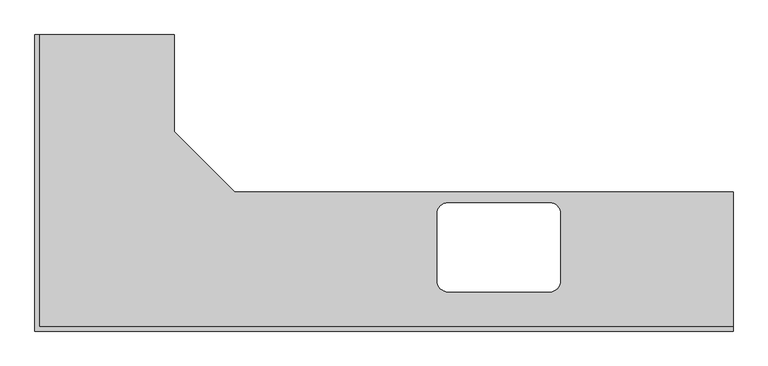
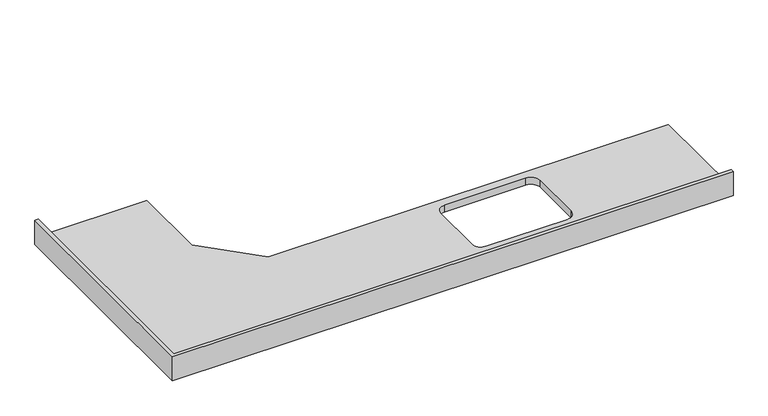
"""IFC4 building model written with IfcOpenShell, lengths in millimetres: furniture geometry."""

from ifc_helpers import new_model, si_unit, frame, origin, place, context, project, spatial, polyline, circle_curve, source, transform, mapped, element, save
from ifc_brep_helpers import plane_surface, revolved_surface, advanced_brep


def furniture_bad3d584(model_context):
    return source(origin(), model_context, "Body", "AdvancedBrep", [
        advanced_brep(
        [(-575.4622951, 1330.0, 900.0), (-1181.4122951, 1330.0, 900.0), (-1181.4122951, 19.05, 900.0), (1929.5377049, 19.05, 900.0), (1929.5377049, 625.0, 900.0), (-305.4622951, 625.0, 900.0), (-575.4622951, 895.0, 900.0), (1105.7733802, 175.927678, 900.0), (652.4494562, 175.927678, 900.0), (602.4494562, 225.927678, 900.0), (602.4494562, 526.0392085, 900.0), (652.4494562, 576.0392085, 900.0), (1105.7733802, 576.0392085, 900.0), (1155.7733802, 526.0392085, 900.0), (1155.7733802, 225.927678, 900.0), (1929.5377049, 0.0, 860.0), (-1200.4622951, 0.0, 860.0), (-1200.4622951, 1330.0, 860.0), (-575.4622951, 1330.0, 860.0), (-575.4622951, 895.0, 860.0), (-305.4622951, 625.0, 860.0), (1929.5377049, 625.0, 860.0), (1105.7733802, 175.927678, 860.0), (1155.7733802, 225.927678, 860.0), (1155.7733802, 526.0392085, 860.0), (1105.7733802, 576.0392085, 860.0), (652.4494562, 576.0392085, 860.0), (602.4494562, 526.0392085, 860.0), (602.4494562, 225.927678, 860.0), (652.4494562, 175.927678, 860.0), (1929.5377049, 0.0, 1001.6), (-1200.4622951, 0.0, 1001.6), (-1200.4622951, 1330.0, 1001.6), (-1181.4122951, 1330.0, 1001.6), (1929.5377049, 19.05, 1001.6), (-1181.4122951, 19.05, 1001.6)],
        [
            (0, 1),
            (1, 2),
            (2, 3),
            (3, 4),
            (4, 5),
            (5, 6),
            (6, 0),
            (7, 8),
            (8, 9, circle_curve(frame((652.4494562, 225.927678, 900.0), z_axis=(0.0, 0.0, -1.0), x_axis=(1.0, 0.0, 0.0)), 50.0)),
            (9, 10),
            (10, 11, circle_curve(frame((652.4494562, 526.0392085, 900.0), z_axis=(0.0, 0.0, -1.0), x_axis=(1.0, 0.0, 0.0)), 50.0)),
            (11, 12),
            (12, 13, circle_curve(frame((1105.7733802, 526.0392085, 900.0), z_axis=(0.0, 0.0, -1.0), x_axis=(1.0, 0.0, 0.0)), 50.0)),
            (13, 14),
            (14, 7, circle_curve(frame((1105.7733802, 225.927678, 900.0), z_axis=(0.0, 0.0, -1.0), x_axis=(1.0, 0.0, 0.0)), 50.0)),
            (15, 16),
            (16, 17),
            (17, 18),
            (18, 19),
            (19, 20),
            (20, 21),
            (21, 15),
            (22, 23, circle_curve(frame((1105.7733802, 225.927678, 860.0), z_axis=(0.0, 0.0, 1.0), x_axis=(1.0, 0.0, 0.0)), 50.0)),
            (23, 24),
            (24, 25, circle_curve(frame((1105.7733802, 526.0392085, 860.0), z_axis=(0.0, 0.0, 1.0), x_axis=(1.0, 0.0, 0.0)), 50.0)),
            (25, 26),
            (26, 27, circle_curve(frame((652.4494562, 526.0392085, 860.0), z_axis=(0.0, 0.0, 1.0), x_axis=(1.0, 0.0, 0.0)), 50.0)),
            (27, 28),
            (28, 29, circle_curve(frame((652.4494562, 225.927678, 860.0), z_axis=(0.0, 0.0, 1.0), x_axis=(1.0, 0.0, 0.0)), 50.0)),
            (29, 22),
            (15, 30),
            (30, 31),
            (31, 16),
            (31, 32),
            (32, 17),
            (32, 33),
            (33, 1),
            (0, 18),
            (6, 19),
            (5, 20),
            (4, 21),
            (3, 34),
            (34, 30),
            (14, 23),
            (22, 7),
            (13, 24),
            (12, 25),
            (11, 26),
            (10, 27),
            (9, 28),
            (8, 29),
            (34, 35),
            (35, 33),
            (2, 35),
        ],
        [
            plane_surface(frame((-1200.4622951, 0.0, 900.0), z_axis=(0.0, 0.0, 1.0), x_axis=(-1.0, 0.0, 0.0))),
            plane_surface(frame((-1200.4622951, 0.0, 860.0), z_axis=(0.0, 0.0, -1.0), x_axis=(1.0, 0.0, 0.0))),
            plane_surface(frame((1929.5377049, 0.0, 900.0), z_axis=(0.0, -1.0, 0.0), x_axis=(0.0, 0.0, -1.0))),
            plane_surface(frame((-1200.4622951, 0.0, 900.0), z_axis=(-1.0, 0.0, 0.0), x_axis=(0.0, 0.0, -1.0))),
            plane_surface(frame((-1200.4622951, 1330.0, 900.0), z_axis=(0.0, 1.0, 0.0), x_axis=(0.0, 0.0, -1.0))),
            plane_surface(frame((-575.4622951, 1330.0, 900.0), z_axis=(1.0, 0.0, 0.0), x_axis=(0.0, 0.0, -1.0))),
            plane_surface(frame((-575.4622951, 895.0, 900.0), z_axis=(0.7071067811864946, 0.7071067811866004, 0.0), x_axis=(0.0, 0.0, -1.0))),
            plane_surface(frame((-305.4622951, 625.0, 900.0), z_axis=(0.0, 1.0, 0.0), x_axis=(0.0, 0.0, -1.0))),
            plane_surface(frame((1929.5377049, 625.0, 900.0), z_axis=(1.0, 0.0, 0.0), x_axis=(0.0, 0.0, -1.0))),
            revolved_surface(polyline([(1155.7733802, 225.927678, 860.0), (1155.7733802, 225.927678, 900.0)]), (1105.7733802, 225.927678, 0.0), (0.0, 0.0, -1.0)),
            plane_surface(frame((1155.7733802, 225.927678, 900.0), z_axis=(-1.0, 0.0, 0.0), x_axis=(0.0, 0.0, -1.0))),
            revolved_surface(polyline([(1155.7733802, 526.0392085, 860.0), (1155.7733802, 526.0392085, 900.0)]), (1105.7733802, 526.0392085, 0.0), (0.0, 0.0, -1.0)),
            plane_surface(frame((1105.7733802, 576.0392085, 900.0), z_axis=(0.0, -1.0, 0.0), x_axis=(0.0, 0.0, -1.0))),
            revolved_surface(polyline([(702.4494562, 526.0392085, 860.0), (702.4494562, 526.0392085, 900.0)]), (652.4494562, 526.0392085, 0.0), (0.0, 0.0, -1.0)),
            plane_surface(frame((602.4494562, 526.0392085, 900.0), z_axis=(1.0, 0.0, 0.0), x_axis=(0.0, 0.0, -1.0))),
            revolved_surface(polyline([(702.4494562, 225.927678, 860.0), (702.4494562, 225.927678, 900.0)]), (652.4494562, 225.927678, 0.0), (0.0, 0.0, -1.0)),
            plane_surface(frame((652.4494562, 175.927678, 900.0), z_axis=(0.0, 1.0, 0.0), x_axis=(0.0, 0.0, -1.0))),
            plane_surface(frame((-1200.4622951, 0.0, 1001.6), z_axis=(0.0, 0.0, 1.0), x_axis=(0.0, 1.0, 0.0))),
            plane_surface(frame((-1200.4622951, 19.05, 1001.6), z_axis=(0.0, 1.0, 0.0), x_axis=(0.0, 0.0, -1.0))),
            plane_surface(frame((-1181.4122951, 1330.0, 1001.6), z_axis=(1.0, 0.0, 0.0), x_axis=(0.0, 0.0, -1.0))),
        ],
        [
            (0, [[1, 2, 3, 4, 5, 6, 7], [8, 9, 10, 11, 12, 13, 14, 15]]),
            (1, [[16, 17, 18, 19, 20, 21, 22], [23, 24, 25, 26, 27, 28, 29, 30]]),
            (2, [[31, 32, 33, -16]]),
            (3, [[-33, 34, 35, -17]]),
            (4, [[36, 37, -1, 38, -18, -35]]),
            (5, [[39, -19, -38, -7]]),
            (6, [[40, -20, -39, -6]]),
            (7, [[41, -21, -40, -5]]),
            (8, [[-41, -4, 42, 43, -31, -22]]),
            (9, [[44, -23, 45, -15]]),
            (10, [[46, -24, -44, -14]]),
            (11, [[47, -25, -46, -13]]),
            (12, [[48, -26, -47, -12]]),
            (13, [[49, -27, -48, -11]]),
            (14, [[50, -28, -49, -10]]),
            (15, [[51, -29, -50, -9]]),
            (16, [[-45, -30, -51, -8]]),
            (17, [[-32, -43, 52, 53, -36, -34]]),
            (18, [[-3, 54, -52, -42]]),
            (19, [[-54, -2, -37, -53]]),
        ],
    ),
    ])


if __name__ == "__main__":
    model = new_model("IFC4")
    model_context = context("Model", 3, world=origin())
    ifc_project = project(units=[si_unit("LENGTHUNIT", "METRE", prefix="MILLI")], contexts=[model_context])
    site = spatial("IfcSite", under=ifc_project)
    building = spatial("IfcBuilding", under=site)
    placement = place(None, origin())
    furniture_shape = furniture_bad3d584(model_context)
    element("IfcFurniture", 1, at=placement, inside=building, context=model_context, shape_type="MappedRepresentation", body=[
        mapped(furniture_shape, transform((0.0, 0.0, 0.0), x_axis=(1.0, 0.0, 0.0), y_axis=(0.0, 1.0, 0.0), z_axis=(0.0, 0.0, 1.0))),
    ])
    save(model, "model.ifc")
